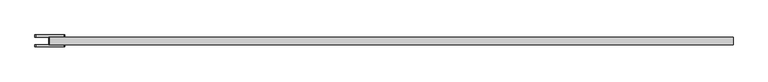
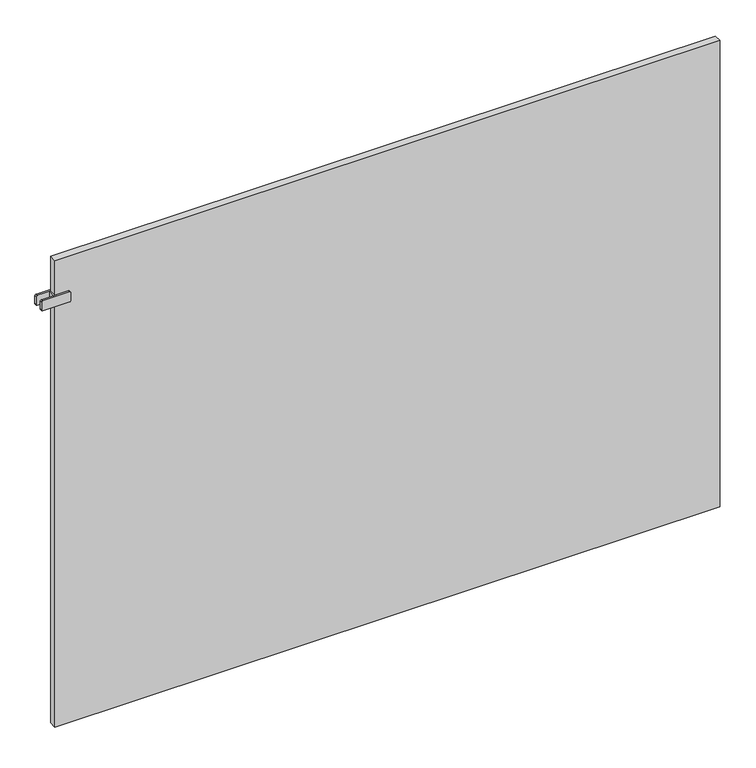
"""IFC4 building model written with IfcOpenShell, lengths in millimetres: plate geometry."""

from ifc_helpers import new_model, si_unit, point, frame, frame_2d, origin, origin_with_axes, place, context, project, spatial, polyline, circle_curve, trimmed, segment, composite_curve, outline, extrude, source, transform, mapped, element, save


def plate_aab598fb(model_context):
    return source(origin(), model_context, "Body", "SweptSolid", [
        extrude(outline(polyline([(-797.5000001, -8.75), (-797.5000001, 8.75), (-792.5000001, 8.75), (-792.5000001, -8.75), (-797.5000001, -8.75)])), frame((0.0, 0.0, 1066.5), z_axis=(0.0, 0.0, 1.0), x_axis=(1.0, 0.0, 0.0)), (0.0, 0.0, 1.0), 25.0),
        extrude(outline(composite_curve([segment(trimmed(circle_curve(frame_2d((1069.5, -763.0000001)), 3.0), [point((1066.5, -763.0000001))], [point((1069.5, -760.0000001))], False, "CARTESIAN"), True, "CONTINUOUS"), segment(polyline([(1069.5, -760.0000001), (1088.5, -760.0000001)]), True, "CONTINUOUS"), segment(trimmed(circle_curve(frame_2d((1088.5, -763.0000001)), 3.0), [point((1088.5, -760.0000001))], [point((1091.5, -763.0000001))], False, "CARTESIAN"), True, "CONTINUOUS"), segment(polyline([(1091.5, -763.0000001), (1091.5, -827.0000001)]), True, "CONTINUOUS"), segment(trimmed(circle_curve(frame_2d((1088.5, -827.0000001)), 3.0), [point((1091.5, -827.0000001))], [point((1088.5, -830.0000001))], False, "CARTESIAN"), True, "CONTINUOUS"), segment(polyline([(1088.5, -830.0000001), (1069.5, -830.0000001)]), True, "CONTINUOUS"), segment(trimmed(circle_curve(frame_2d((1069.5, -827.0000001)), 3.0), [point((1069.5, -830.0000001))], [point((1066.5, -827.0000001))], False, "CARTESIAN"), True, "CONTINUOUS"), segment(polyline([(1066.5, -827.0000001), (1066.5, -763.0000001)]), True, "CONTINUOUS")], self_intersect=False)), frame((0.0, 8.75, 0.0), z_axis=(0.0, 1.0, 0.0), x_axis=(0.0, 0.0, 1.0)), (0.0, 0.0, 1.0), 5.0),
        extrude(outline(composite_curve([segment(trimmed(circle_curve(frame_2d((1069.5, -763.0000001)), 3.0), [point((1066.5, -763.0000001))], [point((1069.5, -760.0000001))], False, "CARTESIAN"), True, "CONTINUOUS"), segment(polyline([(1069.5, -760.0000001), (1088.5, -760.0000001)]), True, "CONTINUOUS"), segment(trimmed(circle_curve(frame_2d((1088.5, -763.0000001)), 3.0), [point((1088.5, -760.0000001))], [point((1091.5, -763.0000001))], False, "CARTESIAN"), True, "CONTINUOUS"), segment(polyline([(1091.5, -763.0000001), (1091.5, -827.0000001)]), True, "CONTINUOUS"), segment(trimmed(circle_curve(frame_2d((1088.5, -827.0000001)), 3.0), [point((1091.5, -827.0000001))], [point((1088.5, -830.0000001))], False, "CARTESIAN"), True, "CONTINUOUS"), segment(polyline([(1088.5, -830.0000001), (1069.5, -830.0000001)]), True, "CONTINUOUS"), segment(trimmed(circle_curve(frame_2d((1069.5, -827.0000001)), 3.0), [point((1069.5, -830.0000001))], [point((1066.5, -827.0000001))], False, "CARTESIAN"), True, "CONTINUOUS"), segment(polyline([(1066.5, -827.0000001), (1066.5, -763.0000001)]), True, "CONTINUOUS")], self_intersect=False)), frame((0.0, -13.75, 0.0), z_axis=(0.0, 1.0, 0.0), x_axis=(0.0, 0.0, 1.0)), (0.0, 0.0, 1.0), 5.0),
        extrude(outline(polyline([(795.0000001, 8.75), (795.0000001, -8.75), (-795.0000001, -8.75), (-795.0000001, 8.75), (795.0000001, 8.75)])), origin_with_axes(), (0.0, 0.0, 1.0), 1179.0),
    ])


if __name__ == "__main__":
    model = new_model("IFC4")
    model_context = context("Model", 3, world=origin())
    ifc_project = project(units=[si_unit("LENGTHUNIT", "METRE", prefix="MILLI")], contexts=[model_context])
    site = spatial("IfcSite", under=ifc_project)
    building = spatial("IfcBuilding", under=site)
    placement = place(None, origin())
    plate_shape = plate_aab598fb(model_context)
    element("IfcPlate", 1, at=placement, inside=building, context=model_context, shape_type="MappedRepresentation", body=[
        mapped(plate_shape, transform((0.0, 0.0, 0.0), x_axis=(1.0, 0.0, 0.0), y_axis=(0.0, 1.0, 0.0), z_axis=(0.0, 0.0, 1.0))),
    ])
    save(model, "model.ifc")
